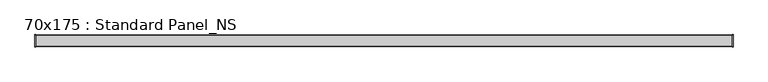
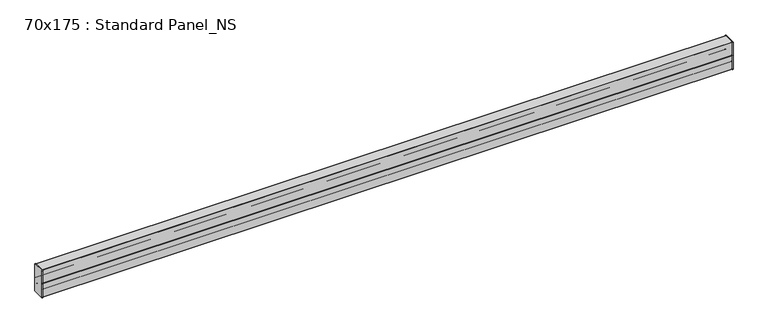
"""IFC4 building model written with IfcOpenShell, lengths in millimetres: proxy geometry, 70x175 : Standard Panel_NS."""

from ifc_helpers import new_model, si_unit, point, frame, frame_2d, origin, place, context, project, spatial, polyline, circle_curve, trimmed, segment, composite_curve, outline, extrude, source, transform, mapped, element, save


def proxy_70x175_standard_panel_ns_07f41ee2(model_context):
    return source(origin(), model_context, "Body", "SweptSolid", [
        extrude(outline(composite_curve([segment(trimmed(circle_curve(frame_2d((-31.6428932, 66.4291007)), 1.65), [point((-33.2928932, 66.4291007))], [point((-32.8096194, 67.5958269))], False, "CARTESIAN"), True, "CONTINUOUS"), segment(polyline([(-32.8096194, 67.5958269), (-23.1862915, 77.2191548)]), True, "CONTINUOUS"), segment(trimmed(circle_curve(frame_2d((-23.8933983, 77.9262616)), 1.0), [point((-23.1862915, 77.2191548))], [point((-23.1862915, 78.6333684))], True, "CARTESIAN"), True, "CONTINUOUS"), segment(polyline([(-23.1862915, 78.6333684), (-34.5167262, 89.9638031)]), True, "CONTINUOUS"), segment(trimmed(circle_curve(frame_2d((-33.35, 91.1305293)), 1.65), [point((-34.5167262, 89.9638031))], [point((-35.0, 91.1305293))], False, "CARTESIAN"), True, "CONTINUOUS"), segment(polyline([(-35.0, 91.1305293), (-35.0, 173.5172618)]), True, "CONTINUOUS"), segment(trimmed(circle_curve(frame_2d((-33.35, 173.5172618)), 1.65), [point((-35.0, 173.5172618))], [point((-33.35, 175.1672618))], False, "CARTESIAN"), True, "CONTINUOUS"), segment(polyline([(-33.35, 175.1672618), (33.35, 175.1672618)]), True, "CONTINUOUS"), segment(trimmed(circle_curve(frame_2d((33.35, 173.5172618)), 1.65), [point((33.35, 175.1672618))], [point((35.0, 173.5172618))], False, "CARTESIAN"), True, "CONTINUOUS"), segment(polyline([(35.0, 173.5172618), (35.0, 91.1305293)]), True, "CONTINUOUS"), segment(trimmed(circle_curve(frame_2d((33.35, 91.1305293)), 1.65), [point((35.0, 91.1305293))], [point((34.5167262, 89.9638031))], False, "CARTESIAN"), True, "CONTINUOUS"), segment(polyline([(34.5167262, 89.9638031), (23.1862915, 78.6333684)]), True, "CONTINUOUS"), segment(trimmed(circle_curve(frame_2d((23.8933983, 77.9262616)), 1.0), [point((23.1862915, 78.6333684))], [point((23.1862915, 77.2191548))], True, "CARTESIAN"), True, "CONTINUOUS"), segment(polyline([(23.1862915, 77.2191548), (32.8096194, 67.5958269)]), True, "CONTINUOUS"), segment(trimmed(circle_curve(frame_2d((31.6428932, 66.4291007)), 1.65), [point((32.8096194, 67.5958269))], [point((33.2928932, 66.4291007))], False, "CARTESIAN"), True, "CONTINUOUS"), segment(polyline([(33.2928932, 66.4291007), (33.2928932, 50.6977096)]), True, "CONTINUOUS"), segment(trimmed(circle_curve(frame_2d((31.7928932, 50.6977096)), 1.5), [point((33.2928932, 50.6977096))], [point((30.2928932, 50.6977096))], False, "CARTESIAN"), True, "CONTINUOUS"), segment(polyline([(30.2928932, 50.6977096), (30.2928932, 59.1977096), (31.2928932, 59.1977096), (31.2928932, 50.6977096)]), True, "CONTINUOUS"), segment(trimmed(circle_curve(frame_2d((31.7928932, 50.6977096)), 0.5), [point((31.2928932, 50.6977096))], [point((32.2928932, 50.6977096))], True, "CARTESIAN"), True, "CONTINUOUS"), segment(polyline([(32.2928932, 50.6977096), (32.2928932, 66.6983395), (22.4741595, 76.5170733)]), True, "CONTINUOUS"), segment(trimmed(circle_curve(frame_2d((23.888373, 77.9312869)), 2.0), [point((22.4741595, 76.5170733))], [point((22.4741595, 79.3455004))], False, "CARTESIAN"), True, "CONTINUOUS"), segment(polyline([(22.4741595, 79.3455004), (34.0, 90.8713409), (34.0, 173.5172618)]), True, "CONTINUOUS"), segment(trimmed(circle_curve(frame_2d((33.35, 173.5172618)), 0.65), [point((34.0, 173.5172618))], [point((33.35, 174.1672618))], True, "CARTESIAN"), True, "CONTINUOUS"), segment(polyline([(33.35, 174.1672618), (-33.35, 174.1672618)]), True, "CONTINUOUS"), segment(trimmed(circle_curve(frame_2d((-33.35, 173.5172618)), 0.65), [point((-33.35, 174.1672618))], [point((-34.0, 173.5172618))], True, "CARTESIAN"), True, "CONTINUOUS"), segment(polyline([(-34.0, 173.5172618), (-34.0, 90.8713409), (-22.4741595, 79.3455004)]), True, "CONTINUOUS"), segment(trimmed(circle_curve(frame_2d((-23.888373, 77.9312869)), 2.0), [point((-22.4741595, 79.3455004))], [point((-22.4741595, 76.5170733))], False, "CARTESIAN"), True, "CONTINUOUS"), segment(polyline([(-22.4741595, 76.5170733), (-32.2928932, 66.6983395), (-32.2928932, 50.6977096)]), True, "CONTINUOUS"), segment(trimmed(circle_curve(frame_2d((-31.7928932, 50.6977096)), 0.5), [point((-32.2928932, 50.6977096))], [point((-31.2928932, 50.6977096))], True, "CARTESIAN"), True, "CONTINUOUS"), segment(polyline([(-31.2928932, 50.6977096), (-31.2928932, 59.1977096), (-30.2928932, 59.1977096), (-30.2928932, 50.6977096)]), True, "CONTINUOUS"), segment(trimmed(circle_curve(frame_2d((-31.7928932, 50.6977096)), 1.5), [point((-30.2928932, 50.6977096))], [point((-33.2928932, 50.6977096))], False, "CARTESIAN"), True, "CONTINUOUS"), segment(polyline([(-33.2928932, 50.6977096), (-33.2928932, 66.4291007)]), True, "CONTINUOUS")], self_intersect=False)), frame((0.0, 0.0, 0.0), z_axis=(1.0, 0.0, 0.0), x_axis=(0.0, 1.0, 0.0)), (0.0, 0.0, 1.0), 4200.0),
        extrude(outline(composite_curve([segment(trimmed(circle_curve(frame_2d((33.5, 86.5)), 1.5), [point((32.0, 86.5))], [point((35.0, 86.5))], False, "CARTESIAN"), True, "CONTINUOUS"), segment(polyline([(35.0, 86.5), (35.0, 1.65)]), True, "CONTINUOUS"), segment(trimmed(circle_curve(frame_2d((33.35, 1.65)), 1.65), [point((35.0, 1.65))], [point((33.35, 0.0))], False, "CARTESIAN"), True, "CONTINUOUS"), segment(polyline([(33.35, 0.0), (-33.35, 0.0)]), True, "CONTINUOUS"), segment(trimmed(circle_curve(frame_2d((-33.35, 1.65)), 1.65), [point((-33.35, 0.0))], [point((-35.0, 1.65))], False, "CARTESIAN"), True, "CONTINUOUS"), segment(polyline([(-35.0, 1.65), (-35.0, 86.5)]), True, "CONTINUOUS"), segment(trimmed(circle_curve(frame_2d((-33.5, 86.5)), 1.5), [point((-35.0, 86.5))], [point((-32.0, 86.5))], False, "CARTESIAN"), True, "CONTINUOUS"), segment(polyline([(-32.0, 86.5), (-32.0, 73.0), (-33.0, 73.0), (-33.0, 86.5)]), True, "CONTINUOUS"), segment(trimmed(circle_curve(frame_2d((-33.5, 86.5)), 0.5), [point((-33.0, 86.5))], [point((-34.0, 86.5))], True, "CARTESIAN"), True, "CONTINUOUS"), segment(polyline([(-34.0, 86.5), (-34.0, 1.65)]), True, "CONTINUOUS"), segment(trimmed(circle_curve(frame_2d((-33.35, 1.65)), 0.65), [point((-34.0, 1.65))], [point((-33.35, 1.0))], True, "CARTESIAN"), True, "CONTINUOUS"), segment(polyline([(-33.35, 1.0), (33.35, 1.0)]), True, "CONTINUOUS"), segment(trimmed(circle_curve(frame_2d((33.35, 1.65)), 0.65), [point((33.35, 1.0))], [point((34.0, 1.65))], True, "CARTESIAN"), True, "CONTINUOUS"), segment(polyline([(34.0, 1.65), (34.0, 86.5)]), True, "CONTINUOUS"), segment(trimmed(circle_curve(frame_2d((33.5, 86.5)), 0.5), [point((34.0, 86.5))], [point((33.0, 86.5))], True, "CARTESIAN"), True, "CONTINUOUS"), segment(polyline([(33.0, 86.5), (33.0, 73.0), (32.0, 73.0), (32.0, 86.5)]), True, "CONTINUOUS")], self_intersect=False)), frame((0.0, 0.0, 0.0), z_axis=(1.0, 0.0, 0.0), x_axis=(0.0, 1.0, 0.0)), (0.0, 0.0, 1.0), 4200.0),
        extrude(outline(composite_curve([segment(trimmed(circle_curve(frame_2d((33.35, 173.35)), 3.65), [point((33.35, 177.0))], [point((37.0, 173.35))], False, "CARTESIAN"), True, "CONTINUOUS"), segment(polyline([(37.0, 173.35), (37.0, 1.65)]), True, "CONTINUOUS"), segment(trimmed(circle_curve(frame_2d((33.35, 1.65)), 3.65), [point((37.0, 1.65))], [point((33.35, -2.0))], False, "CARTESIAN"), True, "CONTINUOUS"), segment(polyline([(33.35, -2.0), (-33.35, -2.0)]), True, "CONTINUOUS"), segment(trimmed(circle_curve(frame_2d((-33.35, 1.65)), 3.65), [point((-33.35, -2.0))], [point((-37.0, 1.65))], False, "CARTESIAN"), True, "CONTINUOUS"), segment(polyline([(-37.0, 1.65), (-37.0, 173.35)]), True, "CONTINUOUS"), segment(trimmed(circle_curve(frame_2d((-33.35, 173.35)), 3.65), [point((-37.0, 173.35))], [point((-33.35, 177.0))], False, "CARTESIAN"), True, "CONTINUOUS"), segment(polyline([(-33.35, 177.0), (33.35, 177.0)]), True, "CONTINUOUS")], self_intersect=False)), frame((-4.0, 0.0, 0.0), z_axis=(1.0, 0.0, 0.0), x_axis=(0.0, 1.0, 0.0)), (0.0, 0.0, 1.0), 4.0),
        extrude(outline(composite_curve([segment(polyline([(-33.35, 177.0), (33.35, 177.0)]), True, "CONTINUOUS"), segment(trimmed(circle_curve(frame_2d((33.35, 173.35)), 3.65), [point((33.35, 177.0))], [point((37.0, 173.35))], False, "CARTESIAN"), True, "CONTINUOUS"), segment(polyline([(37.0, 173.35), (37.0, 1.65)]), True, "CONTINUOUS"), segment(trimmed(circle_curve(frame_2d((33.35, 1.65)), 3.65), [point((37.0, 1.65))], [point((33.35, -2.0))], False, "CARTESIAN"), True, "CONTINUOUS"), segment(polyline([(33.35, -2.0), (-33.35, -2.0)]), True, "CONTINUOUS"), segment(trimmed(circle_curve(frame_2d((-33.35, 1.65)), 3.65), [point((-33.35, -2.0))], [point((-37.0, 1.65))], False, "CARTESIAN"), True, "CONTINUOUS"), segment(polyline([(-37.0, 1.65), (-37.0, 173.35)]), True, "CONTINUOUS"), segment(trimmed(circle_curve(frame_2d((-33.35, 173.35)), 3.65), [point((-37.0, 173.35))], [point((-33.35, 177.0))], False, "CARTESIAN"), True, "CONTINUOUS")], self_intersect=False)), frame((4200.0, 0.0, 0.0), z_axis=(1.0, 0.0, 0.0), x_axis=(0.0, 1.0, 0.0)), (0.0, 0.0, 1.0), 4.0),
    ])


if __name__ == "__main__":
    model = new_model("IFC4")
    model_context = context("Model", 3, world=origin())
    ifc_project = project(units=[si_unit("LENGTHUNIT", "METRE", prefix="MILLI")], contexts=[model_context])
    site = spatial("IfcSite", under=ifc_project)
    building = spatial("IfcBuilding", under=site)
    placement = place(None, origin())
    proxy_70x175_standard_panel_ns_shape = proxy_70x175_standard_panel_ns_07f41ee2(model_context)
    element("IfcBuildingElementProxy", 1, Name="70x175 : Standard Panel_NS", ObjectType="70x175 : Standard Panel_NS", at=placement, inside=building, context=model_context, shape_type="MappedRepresentation", body=[
        mapped(proxy_70x175_standard_panel_ns_shape, transform((0.0, 0.0, 0.0), x_axis=(1.0, 0.0, 0.0), y_axis=(0.0, 1.0, 0.0), z_axis=(0.0, 0.0, 1.0))),
    ])
    save(model, "model.ifc")
